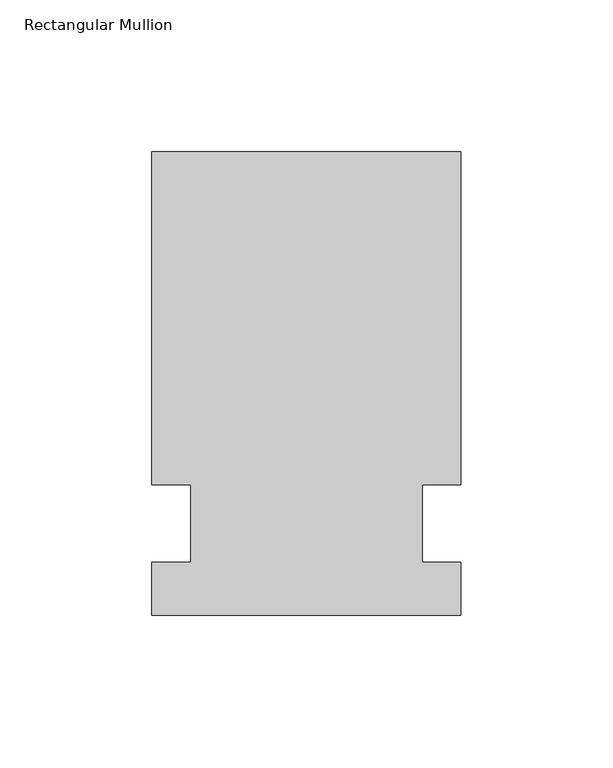
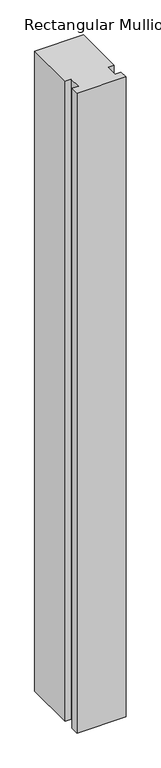
"""IFC4 building model written with IfcOpenShell, lengths in millimetres: member geometry, Rectangular Mullion."""

from ifc_helpers import new_model, si_unit, frame, origin, place, context, project, spatial, polyline, outline, extrude, source, transform, mapped, element, save


def rectangular_mullion_86b8c9c1(model_context):
    return source(origin(), model_context, "Body", "SweptSolid", [
        extrude(outline(polyline([(55.1344027, 122.2375), (55.1344027, 12.7), (42.4326322, 12.7), (42.4326322, -12.7), (55.1344027, -12.7), (55.1344027, -30.1625), (-46.4655973, -30.1625), (-46.4655973, -12.7), (-33.7655973, -12.7), (-33.7655973, 12.7), (-46.4655973, 12.7), (-46.4655973, 122.2375), (55.1344027, 122.2375)])), frame((0.0, 0.0, -1405.4666667), z_axis=(0.0, 0.0, 1.0), x_axis=(1.0, 0.0, 0.0)), (0.0, 0.0, 1.0), 1405.4666667),
    ])


if __name__ == "__main__":
    model = new_model("IFC4")
    model_context = context("Model", 3, world=origin())
    ifc_project = project(units=[si_unit("LENGTHUNIT", "METRE", prefix="MILLI")], contexts=[model_context])
    site = spatial("IfcSite", under=ifc_project)
    building = spatial("IfcBuilding", under=site)
    placement = place(None, origin())
    rectangular_mullion_shape = rectangular_mullion_86b8c9c1(model_context)
    element("IfcMember", 1, ObjectType="Rectangular Mullion", at=placement, inside=building, context=model_context, shape_type="MappedRepresentation", body=[
        mapped(rectangular_mullion_shape, transform((0.0, 0.0, 0.0), x_axis=(1.0, 0.0, 0.0), y_axis=(0.0, 1.0, 0.0), z_axis=(0.0, 0.0, 1.0))),
    ])
    save(model, "model.ifc")
